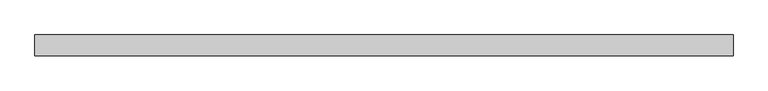
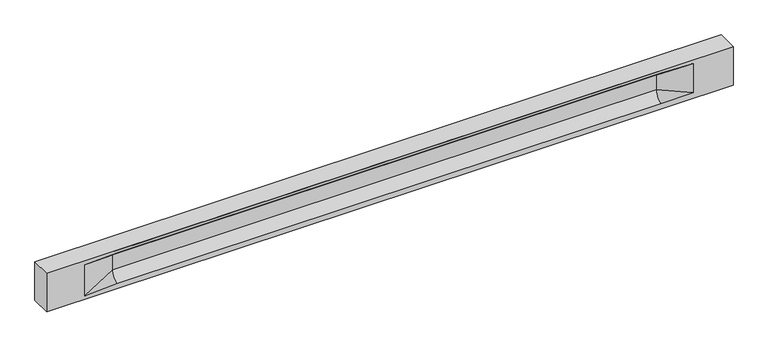
"""IFC4 building model written with IfcOpenShell, lengths in millimetres: beam geometry."""

from ifc_helpers import new_model, si_unit, frame, origin, place, context, project, spatial, polyline, circle_curve, source, transform, mapped, element, save
from ifc_brep_helpers import plane_surface, revolved_surface, spline_surface, advanced_brep


def beam_92bfbd35(model_context):
    return source(origin(), model_context, "Body", "AdvancedBrep", [
        advanced_brep(
        [(8431.0, -250.0, 500.0), (8431.0, -250.0, -500.0), (8431.0, 250.0, -500.0), (8431.0, 250.0, 500.0), (-8431.0, -250.0, 500.0), (-8431.0, -250.0, -500.0), (7456.0, -250.0, -362.0), (6656.0, -250.0, -360.0), (-6701.0, -250.0, -360.0), (-7501.0, -250.0, -400.0), (-7501.0, -250.0, 400.0), (-6701.0, -250.0, 435.0), (6656.0, -250.0, 435.0), (7456.0, -250.0, 400.0), (-8431.0, 250.0, -500.0), (-8431.0, 250.0, 500.0), (7456.0, 250.0, 400.0), (6656.0, 250.0, 435.0), (-6701.0, 250.0, 435.0), (-7501.0, 250.0, 400.0), (-7501.0, 250.0, -400.0), (-6701.0, 250.0, -360.0), (6656.0, 250.0, -360.0), (7456.0, 250.0, -362.0), (6656.0, 155.0, 405.0), (-6701.0, 155.0, 405.0), (6656.0, 60.0, 262.777021), (-6701.0, 60.0, 262.777021), (6656.0, 60.0, -120.0), (-6701.0, 60.0, -120.0), (6656.0, -60.0, -120.0), (-6701.0, -60.0, -120.0), (6656.0, -60.0, 262.777021), (-6701.0, -60.0, 262.777021), (6656.0, -155.0, 405.0), (-6701.0, -155.0, 405.0)],
        [
            (0, 1),
            (1, 2),
            (2, 3),
            (3, 0),
            (0, 4),
            (4, 5),
            (5, 1),
            (6, 7),
            (7, 8),
            (8, 9),
            (9, 10),
            (10, 11),
            (11, 12),
            (12, 13),
            (13, 6),
            (5, 14),
            (14, 2),
            (14, 15),
            (15, 3),
            (16, 17),
            (17, 18),
            (18, 19),
            (19, 20),
            (20, 21),
            (21, 22),
            (22, 23),
            (23, 16),
            (15, 4),
            (17, 24),
            (24, 25),
            (25, 18),
            (24, 26, circle_curve(frame((6656.0, 213.9598725, 262.777021), z_axis=(1.0, 0.0, 0.0), x_axis=(0.0, 1.0, 0.0)), 153.9598725)),
            (26, 27),
            (27, 25, circle_curve(frame((-6701.0, 213.9598725, 262.777021), z_axis=(-1.0, 0.0, 0.0), x_axis=(0.0, 1.0, 0.0)), 153.9598725)),
            (26, 28),
            (28, 29),
            (29, 27),
            (28, 22, circle_curve(frame((6656.0, 306.5789474, -120.0), z_axis=(1.0, 0.0, 0.0), x_axis=(0.0, 1.0, 0.0)), 246.5789474)),
            (21, 29, circle_curve(frame((-6701.0, 306.5789474, -120.0), z_axis=(-1.0, 0.0, 0.0), x_axis=(0.0, 1.0, 0.0)), 246.5789474)),
            (7, 30, circle_curve(frame((6656.0, -306.5789474, -120.0), z_axis=(1.0, 0.0, 0.0), x_axis=(0.0, 1.0, 0.0)), 246.5789474)),
            (30, 31),
            (31, 8, circle_curve(frame((-6701.0, -306.5789474, -120.0), z_axis=(-1.0, 0.0, 0.0), x_axis=(0.0, 1.0, 0.0)), 246.5789474)),
            (30, 32),
            (32, 33),
            (33, 31),
            (32, 34, circle_curve(frame((6656.0, -213.9598725, 262.777021), z_axis=(1.0, 0.0, 0.0), x_axis=(0.0, 1.0, 0.0)), 153.9598725)),
            (34, 35),
            (35, 33, circle_curve(frame((-6701.0, -213.9598725, 262.777021), z_axis=(-1.0, 0.0, 0.0), x_axis=(0.0, 1.0, 0.0)), 153.9598725)),
            (34, 12),
            (11, 35),
            (27, 19),
            (19, 25),
            (10, 35),
            (10, 33),
            (9, 31),
            (20, 29),
            (34, 13),
            (32, 13),
            (30, 6),
            (28, 23),
            (26, 16),
            (24, 16),
        ],
        [
            plane_surface(frame((8431.0, 0.0, 0.0), z_axis=(1.0, 0.0, 0.0), x_axis=(0.0, 0.0, 1.0))),
            plane_surface(frame((8431.0, -250.0, 500.0), z_axis=(0.0, -1.0, 0.0), x_axis=(-1.0, 0.0, 0.0))),
            plane_surface(frame((8431.0, -250.0, -500.0), z_axis=(0.0, 0.0, -1.0), x_axis=(-1.0, 0.0, 0.0))),
            plane_surface(frame((8431.0, 250.0, -500.0), z_axis=(0.0, 1.0, 0.0), x_axis=(-1.0, 0.0, 0.0))),
            plane_surface(frame((8431.0, 250.0, 500.0), z_axis=(0.0, 0.0, 1.0), x_axis=(-1.0, 0.0, 0.0))),
            plane_surface(frame((-6701.0, 250.0, 435.0), z_axis=(0.0, 0.30113136793710954, -0.9535826651341378), x_axis=(1.0, 0.0, 0.0))),
            revolved_surface(polyline([(6656.0, 367.919745, 262.777021), (-6701.0, 367.919745, 262.777021)]), (-6701.0, 213.9598725, 262.777021), (1.0, 0.0, 0.0)),
            plane_surface(frame((-6701.0, 60.0, 262.777021), z_axis=(0.0, 1.0, 0.0), x_axis=(1.0, 0.0, 0.0))),
            revolved_surface(polyline([(6656.0, 553.1578948, -120.0), (-6701.0, 553.1578948, -120.0)]), (-6701.0, 306.5789474, -120.0), (1.0, 0.0, 0.0)),
            revolved_surface(polyline([(6656.0, -60.0, -120.0), (-6701.0, -60.0, -120.0)]), (-6701.0, -306.5789474, -120.0), (1.0, 0.0, 0.0)),
            plane_surface(frame((-6701.0, -60.0, -120.0), z_axis=(0.0, -1.0, 0.0), x_axis=(1.0, 0.0, 0.0))),
            revolved_surface(polyline([(6656.0, -60.0, 262.777021), (-6701.0, -60.0, 262.777021)]), (-6701.0, -213.9598725, 262.777021), (1.0, 0.0, 0.0)),
            plane_surface(frame((-6701.0, -155.0, 405.0), z_axis=(0.0, -0.30113136793710693, -0.9535826651341387), x_axis=(1.0, 0.0, 0.0))),
            spline_surface(2, 1, [[(-7501.0, 250.0, 400.0), (-6701.0, 60.0, 262.777021)], [(-7501.0, 250.0, 400.0), (-6701.0, 59.99999995452379, 365.6168572954922)], [(-7501.0, 250.0, 400.0), (-6701.0, 155.0, 405.0)]], [3, 3], [2, 2], [0.0, 1.0], [0.0, 1.0], weights=[[1.0, 1.0], [0.8315515921160737, 0.8315515921160737], [1.0, 1.0]]),
            plane_surface(frame((-7501.0, 250.0, 400.0), z_axis=(0.04168298285568771, 0.30086965068766386, -0.9527538938442265), x_axis=(0.0, 0.9535826651341378, 0.30113136793710954))),
            plane_surface(frame((-7501.0, -250.0, 400.0), z_axis=(0.041682982855687736, -0.30086965068766125, -0.9527538938442274), x_axis=(0.0, 0.9535826651341387, -0.30113136793710693))),
            spline_surface(2, 1, [[(-7501.0, -250.0, 400.0), (-6701.0, -155.0, 405.0)], [(-7501.0, -250.0, 400.0), (-6701.0, -60.00000008030692, 365.6168572114734)], [(-7501.0, -250.0, 400.0), (-6701.0, -60.0, 262.777021)]], [3, 3], [2, 2], [0.0, 1.0], [0.0, 1.0], weights=[[1.0, 1.0], [0.8315515924557569, 0.8315515924557569], [1.0, 1.0]]),
            plane_surface(frame((-7501.0, -250.0, 0.0), z_axis=(0.23107243079589934, -0.9729365507195596, 0.0), x_axis=(0.0, 0.0, -1.0))),
            spline_surface(2, 1, [[(-7501.0, -250.0, -400.0), (-6701.0, -60.0, -120.0)], [(-7501.0, -250.0, -400.0), (-6701.0, -59.99999998020837, -315.20833333333337)], [(-7501.0, -250.0, -400.0), (-6701.0, -250.0, -360.0)]], [3, 3], [2, 2], [0.0, 1.0], [0.0, 1.0], weights=[[1.0, 1.0], [0.7840458244617614, 0.7840458244617614], [1.0, 1.0]]),
            spline_surface(2, 1, [[(-7501.0, 250.0, -400.0), (-6701.0, 250.0, -360.0)], [(-7501.0, 250.0, -400.0), (-6701.0, 60.00000002887427, -315.20833329480604)], [(-7501.0, 250.0, -400.0), (-6701.0, 60.0, -120.0)]], [3, 3], [2, 2], [0.0, 1.0], [0.0, 1.0], weights=[[1.0, 1.0], [0.7840458245391329, 0.7840458245391329], [1.0, 1.0]]),
            plane_surface(frame((-7501.0, 250.0, 0.0), z_axis=(0.23107243079589507, 0.9729365507195608, 0.0), x_axis=(0.0, 0.0, 1.0))),
            plane_surface(frame((-8431.0, 0.0, 0.0), z_axis=(-1.0, 0.0, 0.0), x_axis=(0.0, 0.0, 1.0))),
            plane_surface(frame((6656.0, -202.5, 420.0), z_axis=(-0.041682982855687396, -0.30086965068766125, -0.9527538938442274), x_axis=(0.0, 0.9535826651341387, -0.30113136793710693))),
            spline_surface(2, 1, [[(6656.0, -155.0, 405.0), (7456.0, -250.0, 400.0)], [(6656.0, -60.00000008030692, 365.6168572114734), (7456.0, -250.0, 400.0)], [(6656.0, -60.0, 262.777021), (7456.0, -250.0, 400.0)]], [3, 3], [2, 2], [0.0, 1.0], [0.0, 1.0], weights=[[1.0, 1.0], [0.8315515924557569, 0.8315515924557569], [1.0, 1.0]]),
            plane_surface(frame((6656.0, -60.0, 71.3885105), z_axis=(-0.23107243079589707, -0.9729365507195603, 0.0), x_axis=(0.0, 0.0, -1.0))),
            spline_surface(2, 1, [[(6656.0, -60.0, -120.0), (7456.0, -250.0, -362.0)], [(6656.0, -59.99999998020837, -315.20833333333337), (7456.0, -250.0, -362.0)], [(6656.0, -250.0, -360.0), (7456.0, -250.0, -362.0)]], [3, 3], [2, 2], [0.0, 1.0], [0.0, 1.0], weights=[[1.0, 1.0], [0.7840458244617614, 0.7840458244617614], [1.0, 1.0]]),
            spline_surface(2, 1, [[(6656.0, 250.0, -360.0), (7456.0, 250.0, -362.0)], [(6656.0, 60.00000002887427, -315.20833329480604), (7456.0, 250.0, -362.0)], [(6656.0, 60.0, -120.0), (7456.0, 250.0, -362.0)]], [3, 3], [2, 2], [0.0, 1.0], [0.0, 1.0], weights=[[1.0, 1.0], [0.7840458245391329, 0.7840458245391329], [1.0, 1.0]]),
            plane_surface(frame((6656.0, 60.0, 71.3885105), z_axis=(-0.23107243079589063, 0.9729365507195618, 0.0), x_axis=(0.0, 0.0, 1.0))),
            spline_surface(2, 1, [[(6656.0, 60.0, 262.777021), (7456.0, 250.0, 400.0)], [(6656.0, 59.99999995452379, 365.6168572954922), (7456.0, 250.0, 400.0)], [(6656.0, 155.0, 405.0), (7456.0, 250.0, 400.0)]], [3, 3], [2, 2], [0.0, 1.0], [0.0, 1.0], weights=[[1.0, 1.0], [0.8315515921160737, 0.8315515921160737], [1.0, 1.0]]),
            plane_surface(frame((6656.0, 202.5, 420.0), z_axis=(-0.04168298285568666, 0.30086965068766386, -0.9527538938442265), x_axis=(0.0, 0.9535826651341378, 0.30113136793710954))),
        ],
        [
            (0, [[1, 2, 3, 4]]),
            (1, [[-1, 5, 6, 7], [8, 9, 10, 11, 12, 13, 14, 15]]),
            (2, [[-2, -7, 16, 17]]),
            (3, [[-3, -17, 18, 19], [20, 21, 22, 23, 24, 25, 26, 27]]),
            (4, [[-5, -4, -19, 28]]),
            (5, [[-21, 29, 30, 31]]),
            (6, [[-30, 32, 33, 34]]),
            (7, [[-33, 35, 36, 37]]),
            (8, [[-36, 38, -25, 39]]),
            (9, [[-9, 40, 41, 42]]),
            (10, [[-41, 43, 44, 45]]),
            (11, [[-44, 46, 47, 48]]),
            (12, [[-47, 49, -13, 50]]),
            (13, [[51, 52, -34]]),
            (14, [[-52, -22, -31]]),
            (15, [[-12, 53, -50]]),
            (16, [[-53, 54, -48]]),
            (17, [[-54, -11, 55, -45]]),
            (18, [[-55, -10, -42]]),
            (19, [[-24, 56, -39]]),
            (20, [[-51, -37, -56, -23]]),
            (21, [[-28, -18, -16, -6]]),
            (22, [[-14, -49, 57]]),
            (23, [[-57, -46, 58]]),
            (24, [[-58, -43, 59, -15]]),
            (25, [[-59, -40, -8]]),
            (26, [[-26, -38, 60]]),
            (27, [[-60, -35, 61, -27]]),
            (28, [[-61, -32, 62]]),
            (29, [[-62, -29, -20]]),
        ],
    ),
    ])


if __name__ == "__main__":
    model = new_model("IFC4")
    model_context = context("Model", 3, world=origin())
    ifc_project = project(units=[si_unit("LENGTHUNIT", "METRE", prefix="MILLI")], contexts=[model_context])
    site = spatial("IfcSite", under=ifc_project)
    building = spatial("IfcBuilding", under=site)
    placement = place(None, origin())
    beam_shape = beam_92bfbd35(model_context)
    element("IfcBeam", 1, at=placement, inside=building, context=model_context, shape_type="MappedRepresentation", body=[
        mapped(beam_shape, transform((0.0, 0.0, 0.0), x_axis=(1.0, 0.0, 0.0), y_axis=(0.0, 1.0, 0.0), z_axis=(0.0, 0.0, 1.0))),
    ])
    save(model, "model.ifc")
